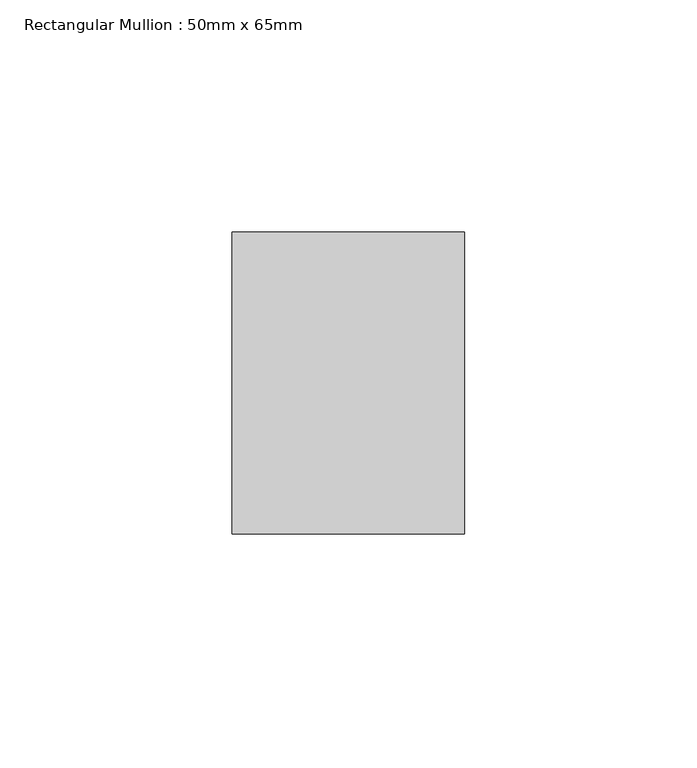
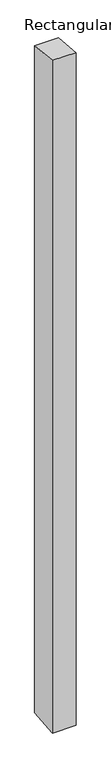
"""IFC4 building model written with IfcOpenShell, lengths in millimetres: member geometry, Rectangular Mullion : 50mm x 65mm."""

from ifc_helpers import new_model, si_unit, origin, place, context, project, spatial, faceted_brep, source, transform, mapped, element, save


def rectangular_mullion_50mm_x_65mm_563e4982(model_context):
    return source(origin(), model_context, "Body", "Brep", [
        faceted_brep([(-25.0, 32.5, -3.3716846), (25.0, 32.5, -3.3716789), (25.0, 32.5, -1496.8525542), (-25.0, 32.5, -1496.8525489), (-25.0, -32.5, 3.3716789), (-25.0, -32.5, -1503.1464213), (25.0, -32.5, 3.3716846), (25.0, -32.5, -1503.1464266)], [[[0, 1, 2, 3]], [[4, 0, 3, 5]], [[6, 4, 5, 7]], [[1, 6, 7, 2]], [[1, 0, 4, 6]], [[2, 7, 5, 3]]]),
    ])


if __name__ == "__main__":
    model = new_model("IFC4")
    model_context = context("Model", 3, world=origin())
    ifc_project = project(units=[si_unit("LENGTHUNIT", "METRE", prefix="MILLI")], contexts=[model_context])
    site = spatial("IfcSite", under=ifc_project)
    building = spatial("IfcBuilding", under=site)
    placement = place(None, origin())
    rectangular_mullion_50mm_x_65mm_shape = rectangular_mullion_50mm_x_65mm_563e4982(model_context)
    element("IfcMember", 1, ObjectType="Rectangular Mullion : 50mm x 65mm", at=placement, inside=building, context=model_context, shape_type="MappedRepresentation", body=[
        mapped(rectangular_mullion_50mm_x_65mm_shape, transform((0.0, 0.0, 0.0), x_axis=(1.0, 0.0, 0.0), y_axis=(0.0, 1.0, 0.0), z_axis=(0.0, 0.0, 1.0))),
    ])
    save(model, "model.ifc")
